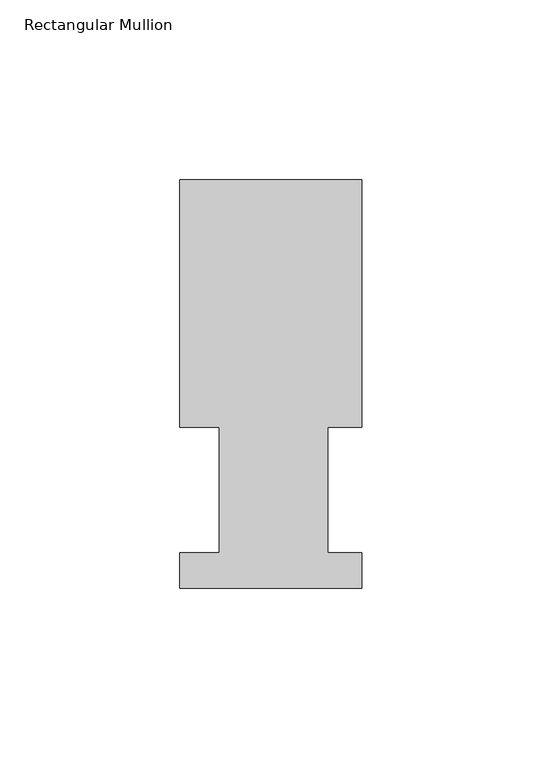
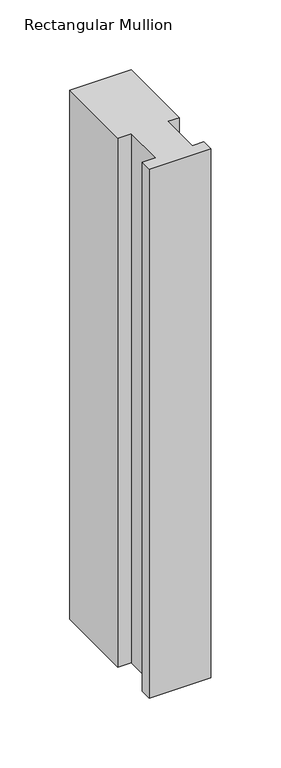
"""IFC4 building model written with IfcOpenShell, lengths in millimetres: member geometry, Rectangular Mullion."""

from ifc_helpers import new_model, si_unit, frame, origin, place, context, project, spatial, polyline, outline, extrude, source, transform, mapped, element, save


def rectangular_mullion_319d057c(model_context):
    return source(origin(), model_context, "Body", "SweptSolid", [
        extrude(outline(polyline([(-50.8, 113.8189875), (0.0, 113.8189875), (0.0, 44.8579875), (-9.525, 44.8579875), (-9.525, 9.9329875), (0.0, 9.9329875), (0.0, 0.0269875), (-50.8, 0.0269875), (-50.8, 9.9329875), (-39.6875, 9.9329875), (-39.6875, 44.8579875), (-50.8, 44.8579875), (-50.8, 113.8189875)])), frame((0.0, 0.0, -462.4599167), z_axis=(0.0, 0.0, 1.0), x_axis=(1.0, 0.0, 0.0)), (0.0, 0.0, 1.0), 462.4599167),
    ])


if __name__ == "__main__":
    model = new_model("IFC4")
    model_context = context("Model", 3, world=origin())
    ifc_project = project(units=[si_unit("LENGTHUNIT", "METRE", prefix="MILLI")], contexts=[model_context])
    site = spatial("IfcSite", under=ifc_project)
    building = spatial("IfcBuilding", under=site)
    placement = place(None, origin())
    rectangular_mullion_shape = rectangular_mullion_319d057c(model_context)
    element("IfcMember", 1, ObjectType="Rectangular Mullion", at=placement, inside=building, context=model_context, shape_type="MappedRepresentation", body=[
        mapped(rectangular_mullion_shape, transform((0.0, 0.0, 0.0), x_axis=(1.0, 0.0, 0.0), y_axis=(0.0, 1.0, 0.0), z_axis=(0.0, 0.0, 1.0))),
    ])
    save(model, "model.ifc")
